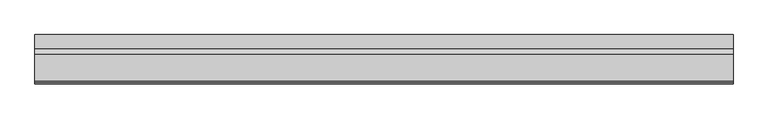
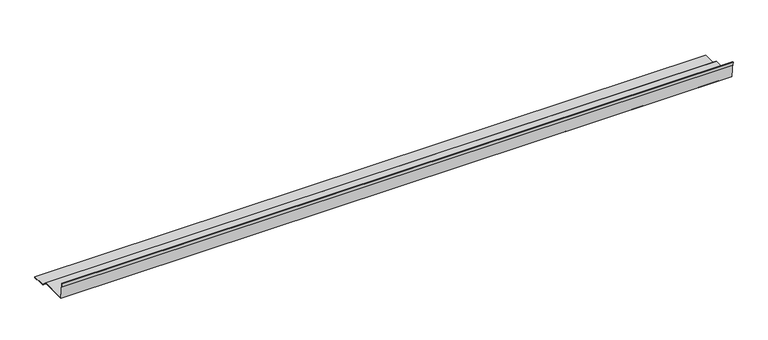
"""IFC4 building model written with IfcOpenShell, lengths in millimetres: proxy geometry."""

from ifc_helpers import new_model, si_unit, frame, origin, place, context, project, spatial, polyline, outline, extrude, source, transform, mapped, element, save


def generic_models_f2c771f6(model_context):
    return source(origin(), model_context, "Body", "SweptSolid", [
        extrude(outline(polyline([(105.2470073, 2.0), (95.2470073, 2.0), (95.2470073, 3.0), (104.2470073, 3.0), (104.2470073, 4.0), (64.8486151, 4.0), (49.1700893, 18.8492424), (-30.8822053, 18.8492424), (-36.0982178, 68.4762868), (-37.0927397, 68.3717584), (-36.1519836, 59.4210613), (-37.1465055, 59.3165328), (-38.1917901, 69.2617518), (-35.2082244, 69.5753372), (-29.9818012, 19.8492424), (49.5866553, 19.8492424), (65.2470073, 5.0), (105.2470073, 5.0), (105.2470073, 2.0)])), frame((0.0, 0.0, 0.0), z_axis=(1.0, 0.0, 0.0), x_axis=(0.0, 1.0, 0.0)), (0.0, 0.0, 1.0), 2025.0),
    ])


if __name__ == "__main__":
    model = new_model("IFC4")
    model_context = context("Model", 3, world=origin())
    ifc_project = project(units=[si_unit("LENGTHUNIT", "METRE", prefix="MILLI")], contexts=[model_context])
    site = spatial("IfcSite", under=ifc_project)
    building = spatial("IfcBuilding", under=site)
    placement = place(None, origin())
    generic_models_shape = generic_models_f2c771f6(model_context)
    element("IfcBuildingElementProxy", 1, Name="Generic Models", at=placement, inside=building, context=model_context, shape_type="MappedRepresentation", body=[
        mapped(generic_models_shape, transform((0.0, 0.0, 0.0), x_axis=(1.0, 0.0, 0.0), y_axis=(0.0, 1.0, 0.0), z_axis=(0.0, 0.0, 1.0))),
    ])
    save(model, "model.ifc")
